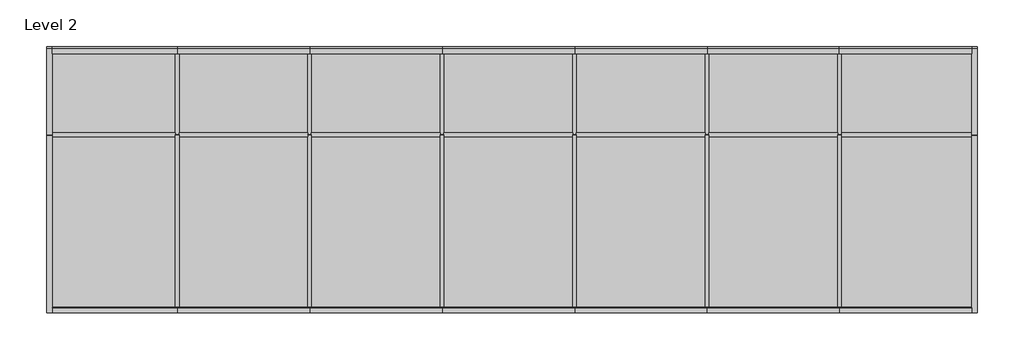
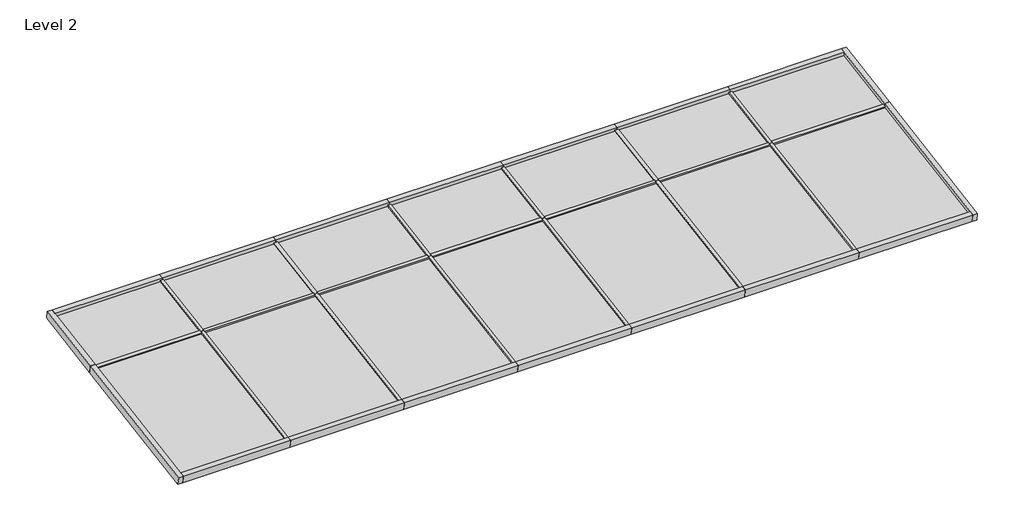
# One storey: 37 members, 14 plates.
"""IFC4 building model written with IfcOpenShell, lengths in millimetres."""

import ifcopenshell
import ifcopenshell.guid

model = None  # the IFC model being written
_history = None  # IfcOwnerHistory: only IFC2X3 demands one
_inside = {}  # id of a spatial element -> (the spatial element, [elements in it])
_under = {}  # id of a project, library or spatial element -> (it, [spatial elements below it])
_declared = {}  # id of a project -> (the project, [libraries it declares])
_typed = {}  # id of a type object -> (the type object, [elements of that type])
_made_of = {}  # id of a material, layer set ... -> (it, [elements and type objects made of it])


def new_model(schema):
    """Start an empty IFC model of exactly this schema.

    Asked for "IFC4X3", IfcOpenShell would pick the latest addendum, in which some entities
    have other attributes; the version numbers below select the first issue.
    IFC2X3 requires an IfcOwnerHistory on every rooted entity: one is made here for all.
    """
    global model, _history
    if schema == "IFC4X3":
        model = ifcopenshell.file(schema_version=(4, 3, 0, 0))
    else:
        model = ifcopenshell.file(schema=schema)
    _inside.clear()
    _under.clear()
    _declared.clear()
    _typed.clear()
    _made_of.clear()
    _history = None
    if model.schema == "IFC2X3":
        org = make("IfcOrganization", Name="unknown")
        user = make(
            "IfcPersonAndOrganization",
            ThePerson=make("IfcPerson", FamilyName="unknown"),
            TheOrganization=org,
        )
        app = make(
            "IfcApplication",
            ApplicationDeveloper=org,
            Version="unknown",
            ApplicationFullName="unknown",
            ApplicationIdentifier="unknown",
        )
        _history = make(
            "IfcOwnerHistory",
            OwningUser=user,
            OwningApplication=app,
            ChangeAction="ADDED",
            CreationDate=0,
        )
    return model


def make(cls, **values):
    """One entity of the class cls with the attributes given. An attribute that is None is left unset."""
    return model.create_entity(
        cls, **{name: value for name, value in values.items() if value is not None}
    )


def rooted(cls, **values):
    """An entity with a GlobalId (a new one), such as an element, a storey or a relation."""
    return make(cls, GlobalId=ifcopenshell.guid.new(), OwnerHistory=_history, **values)


def si_unit(unit_type, name, prefix=None):
    """IfcSIUnit, for example si_unit("LENGTHUNIT", "METRE", prefix="MILLI")."""
    return make("IfcSIUnit", UnitType=unit_type, Prefix=prefix, Name=name)


def assignment(units):
    """IfcUnitAssignment: the units of a project."""
    return None if units is None else make("IfcUnitAssignment", Units=units)


def point(xyz):
    """IfcCartesianPoint."""
    return None if xyz is None else make("IfcCartesianPoint", Coordinates=xyz)


def direction(xyz):
    """IfcDirection."""
    return None if xyz is None else make("IfcDirection", DirectionRatios=xyz)


def frame(location, z_axis=None, x_axis=None):
    """IfcAxis2Placement3D, a coordinate frame: its origin and axes. An axis left out is left unset."""
    return make(
        "IfcAxis2Placement3D",
        Location=point(location),
        Axis=direction(z_axis),
        RefDirection=direction(x_axis),
    )


def origin():
    """The frame at (0, 0, 0) with its axes left unset."""
    return frame((0.0, 0.0, 0.0))


def origin_with_axes():
    """The frame at (0, 0, 0) with the z axis (0, 0, 1) and the x axis (1, 0, 0) written out."""
    return frame((0.0, 0.0, 0.0), z_axis=(0.0, 0.0, 1.0), x_axis=(1.0, 0.0, 0.0))


def place(relative_to, where):
    """IfcLocalPlacement: puts the frame where relative to a parent placement (None: the world)."""
    return make(
        "IfcLocalPlacement", PlacementRelTo=relative_to, RelativePlacement=where
    )


def context(
    kind, dimensions, precision=None, world=None, true_north=None, identifier=None
):
    """IfcGeometricRepresentationContext, for example the 3D "Model" context."""
    return make(
        "IfcGeometricRepresentationContext",
        ContextIdentifier=identifier,
        ContextType=kind,
        CoordinateSpaceDimension=dimensions,
        Precision=precision,
        WorldCoordinateSystem=world,
        TrueNorth=true_north,
    )


def project(units=None, contexts=None):
    """IfcProject with its units and contexts."""
    return rooted(
        "IfcProject",
        Name="project",
        RepresentationContexts=contexts,
        UnitsInContext=assignment(units),
    )


def spatial(cls, under=None, at=None, **own):
    """A site, building, storey or space (cls), placed at a placement, below another one or the project."""
    s = rooted(cls, ObjectPlacement=at, **own)
    if under is not None:
        _under.setdefault(under.id(), (under, []))[1].append(s)
    return s


def polyline(points):
    """IfcPolyline through the points."""
    return make("IfcPolyline", Points=[point(p) for p in points])


def outline(outer, holes=None, kind="AREA"):
    """IfcArbitraryClosedProfileDef: a profile drawn as a closed curve; with holes, ...WithVoids."""
    if holes is None:
        return make("IfcArbitraryClosedProfileDef", ProfileType=kind, OuterCurve=outer)
    return make(
        "IfcArbitraryProfileDefWithVoids",
        ProfileType=kind,
        OuterCurve=outer,
        InnerCurves=holes,
    )


def extrude(swept, where, along, depth):
    """IfcExtrudedAreaSolid: the profile swept, set in the frame where, extruded along a direction by depth."""
    return make(
        "IfcExtrudedAreaSolid",
        SweptArea=swept,
        Position=where,
        ExtrudedDirection=direction(along),
        Depth=depth,
    )


def shape(context_of_items, identifier, shape_type, items):
    """IfcShapeRepresentation: the items that make up one representation, for example the "Body"."""
    return make(
        "IfcShapeRepresentation",
        ContextOfItems=context_of_items,
        RepresentationIdentifier=identifier,
        RepresentationType=shape_type,
        Items=items,
    )


def source(mapping_origin, context_of_items, identifier, shape_type, items):
    """IfcRepresentationMap: a shape defined once, which mapped items show again and again."""
    return make(
        "IfcRepresentationMap",
        MappingOrigin=mapping_origin,
        MappedRepresentation=shape(context_of_items, identifier, shape_type, items),
    )


def transform(
    local_origin,
    x_axis=None,
    y_axis=None,
    z_axis=None,
    scale=None,
    scale2=None,
    scale3=None,
    uniform=True,
):
    """IfcCartesianTransformationOperator3D, or its non-uniform kind. x_axis, y_axis, z_axis: its Axis1, 2, 3."""
    if uniform:
        return make(
            "IfcCartesianTransformationOperator3D",
            Axis1=direction(x_axis),
            Axis2=direction(y_axis),
            LocalOrigin=point(local_origin),
            Scale=scale,
            Axis3=direction(z_axis),
        )
    return make(
        "IfcCartesianTransformationOperator3DnonUniform",
        Axis1=direction(x_axis),
        Axis2=direction(y_axis),
        LocalOrigin=point(local_origin),
        Scale=scale,
        Axis3=direction(z_axis),
        Scale2=scale2,
        Scale3=scale3,
    )


def mapped(mapping_source, mapping_target):
    """IfcMappedItem: shows the shape of a source again, moved by a transform."""
    return make(
        "IfcMappedItem", MappingSource=mapping_source, MappingTarget=mapping_target
    )


def made_of(thing, what):
    """Note that an element or type object is made of a material, layer set ...; save() writes the relation."""
    if what is not None:
        _made_of.setdefault(what.id(), (what, []))[1].append(thing)
    return thing


def element(
    cls,
    number,
    at=None,
    inside=None,
    cuts=None,
    type_object=None,
    material=None,
    context=None,
    identifier="Body",
    shape_type=None,
    held_by="IfcProductDefinitionShape",
    body=None,
    shapes=None,
    **own,
):
    """One element of the class cls, such as IfcWall. Its Tag is "e" and its number.

    at: its placement. inside: the storey or other place that contains it. cuts: it is an
    opening in that element (IfcRelVoidsElement). A single representation is given by context,
    identifier, shape_type and body (its items); several are given by shapes. held_by: the class
    of the entity that holds the representations. save() writes the other relations.
    """
    e = rooted(cls, Tag="e%d" % number, ObjectPlacement=at, **own)
    if body is not None:
        shapes = [shape(context, identifier, shape_type, body)]
    if shapes is not None:
        e.Representation = make(held_by, Representations=shapes)
    if inside is not None:
        _inside.setdefault(inside.id(), (inside, []))[1].append(e)
    if cuts is not None:
        rooted(
            "IfcRelVoidsElement", RelatingBuildingElement=cuts, RelatedOpeningElement=e
        )
    if type_object is not None:
        _typed.setdefault(type_object.id(), (type_object, []))[1].append(e)
    return made_of(e, material)


def aggregate(whole, parts):
    """IfcRelAggregates: a whole, such as a stair, and the parts it consists of."""
    return rooted("IfcRelAggregates", RelatingObject=whole, RelatedObjects=parts)


def save(model, path):
    """Write the relations noted so far, then the file.

    IfcRelAggregates (storeys below a building ...), IfcRelContainedInSpatialStructure (elements
    in a storey), IfcRelDefinesByType, IfcRelAssociatesMaterial and IfcRelDeclares: one each for
    every whole, place, type object, material and project.
    """
    for whole, parts in _under.values():
        aggregate(whole, parts)
    for where, things in _inside.values():
        rooted(
            "IfcRelContainedInSpatialStructure",
            RelatedElements=things,
            RelatingStructure=where,
        )
    for kind, things in _typed.values():
        rooted("IfcRelDefinesByType", RelatedObjects=things, RelatingType=kind)
    for what, things in _made_of.values():
        rooted("IfcRelAssociatesMaterial", RelatedObjects=things, RelatingMaterial=what)
    for by, libraries in _declared.values():
        rooted("IfcRelDeclares", RelatingContext=by, RelatedDefinitions=libraries)
    model.write(path)


def member_21e35d61(model_context):
    return source(origin(), model_context, "Body", "SweptSolid", [
        extrude(outline(polyline([(12.7, 12.7), (12.7, -12.7), (-12.7, -12.7), (-12.7, 12.7), (12.7, 12.7)])), frame((0.0, 0.0, -889.0), z_axis=(0.0, 0.0, 1.0), x_axis=(1.0, 0.0, 0.0)), (0.0, 0.0, 1.0), 889.0),
    ])


def member_436d6e1e(model_context):
    return source(origin(), model_context, "Body", "SweptSolid", [
        extrude(outline(polyline([(12.7, 12.7), (12.7, -12.7), (-12.7, -12.7), (-12.7, 12.7), (12.7, 12.7)])), frame((0.0, 0.0, -571.3260192), z_axis=(0.0, 0.0, 1.0), x_axis=(1.0, 0.0, 0.0)), (0.0, 0.0, 1.0), 571.3260192),
    ])


def member_1534f09e(model_context):
    return source(origin(), model_context, "Body", "SweptSolid", [
        extrude(outline(polyline([(12.7, 12.7), (12.7, -12.7), (-12.7, -12.7), (-12.7, 12.7), (12.7, 12.7)])), frame((0.0, 0.0, -1206.5), z_axis=(0.0, 0.0, 1.0), x_axis=(1.0, 0.0, 0.0)), (0.0, 0.0, 1.0), 1206.5),
    ])


def member_179e4c6c(model_context):
    return source(origin(), model_context, "Body", "SweptSolid", [
        extrude(outline(polyline([(12.7, 12.7), (12.7, -12.7), (-12.7, -12.7), (-12.7, 12.7), (12.7, 12.7)])), frame((0.0, 0.0, -901.7000003), z_axis=(0.0, 0.0, 1.0), x_axis=(1.0, 0.0, 0.0)), (0.0, 0.0, 1.0), 901.7000003),
    ])


def member_3aaea4b3(model_context):
    return source(origin(), model_context, "Body", "SweptSolid", [
        extrude(outline(polyline([(12.7, 12.7), (12.7, -12.7), (-12.7, -12.7), (-12.7, 12.7), (12.7, 12.7)])), frame((0.0, 0.0, -850.9), z_axis=(0.0, 0.0, 1.0), x_axis=(1.0, 0.0, 0.0)), (0.0, 0.0, 1.0), 850.9),
    ])


def member_405fa836(model_context):
    return source(origin(), model_context, "Body", "SweptSolid", [
        extrude(outline(polyline([(0.0, 31.75), (0.0, -31.75), (-38.1, -31.75), (-38.1, 31.75), (0.0, 31.75)])), frame((0.0, 0.0, -609.4260192), z_axis=(0.0, 0.0, 1.0), x_axis=(1.0, 0.0, 0.0)), (0.0, 0.0, 1.0), 609.4260192),
    ])


def member_c5b617ba(model_context):
    return source(origin(), model_context, "Body", "SweptSolid", [
        extrude(outline(polyline([(0.0, 31.75), (0.0, -31.75), (-38.1, -31.75), (-38.1, 31.75), (0.0, 31.75)])), frame((0.0, 0.0, -914.4), z_axis=(0.0, 0.0, 1.0), x_axis=(1.0, 0.0, 0.0)), (0.0, 0.0, 1.0), 914.4),
    ])


def member_f2eabafd(model_context):
    return source(origin(), model_context, "Body", "SweptSolid", [
        extrude(outline(polyline([(0.0, 31.75), (0.0, -31.75), (-38.1, -31.75), (-38.1, 31.75), (0.0, 31.75)])), frame((0.0, 0.0, -1244.6), z_axis=(0.0, 0.0, 1.0), x_axis=(1.0, 0.0, 0.0)), (0.0, 0.0, 1.0), 1244.6),
    ])


def member_8ac5e14f(model_context):
    return source(origin(), model_context, "Body", "SweptSolid", [
        extrude(outline(polyline([(0.0, 31.75), (0.0, -31.75), (-38.1, -31.75), (-38.1, 31.75), (0.0, 31.75)])), frame((0.0, 0.0, -863.6), z_axis=(0.0, 0.0, 1.0), x_axis=(1.0, 0.0, 0.0)), (0.0, 0.0, 1.0), 863.6),
    ])


def member_1ac5ee0f(model_context):
    return source(origin(), model_context, "Body", "SweptSolid", [
        extrude(outline(polyline([(0.0, 31.75), (0.0, -31.75), (-38.1, -31.75), (-38.1, 31.75), (0.0, 31.75)])), frame((0.0, 0.0, -914.4000003), z_axis=(0.0, 0.0, 1.0), x_axis=(1.0, 0.0, 0.0)), (0.0, 0.0, 1.0), 914.4000003),
    ])


def system_panel_eb68b3b1(model_context):
    return source(origin(), model_context, "Body", "SweptSolid", [
        extrude(outline(polyline([(444.5000002, -12.7), (-444.5000002, -12.7), (-444.5000002, 0.0), (444.5000002, 0.0), (444.5000002, -12.7)])), origin_with_axes(), (0.0, 0.0, 1.0), 1193.8),
    ])


def system_panel_049ed178(model_context):
    return source(origin(), model_context, "Body", "SweptSolid", [
        extrude(outline(polyline([(444.5000002, -12.7), (-444.5000002, -12.7), (-444.5000002, 0.0), (444.5000002, 0.0), (444.5000002, -12.7)])), origin_with_axes(), (0.0, 0.0, 1.0), 558.6260192),
    ])


def system_panel_fe69569a(model_context):
    return source(origin(), model_context, "Body", "SweptSolid", [
        extrude(outline(polyline([(450.8500002, -12.7), (-450.8500002, -12.7), (-450.8500002, 0.0), (450.8500002, 0.0), (450.8500002, -12.7)])), origin_with_axes(), (0.0, 0.0, 1.0), 1193.8),
    ])


def system_panel_e24ecfca(model_context):
    return source(origin(), model_context, "Body", "SweptSolid", [
        extrude(outline(polyline([(450.8500002, -12.7), (-450.8500002, -12.7), (-450.8500002, 0.0), (450.8500002, 0.0), (450.8500002, -12.7)])), origin_with_axes(), (0.0, 0.0, 1.0), 558.6260192),
    ])


def system_panel_66fb875e(model_context):
    return source(origin(), model_context, "Body", "SweptSolid", [
        extrude(outline(polyline([(425.45, -12.7), (-425.45, -12.7), (-425.45, 0.0), (425.45, 0.0), (425.45, -12.7)])), origin_with_axes(), (0.0, 0.0, 1.0), 1193.8),
    ])


def system_panel_8dbdd120(model_context):
    return source(origin(), model_context, "Body", "SweptSolid", [
        extrude(outline(polyline([(425.45, -12.7), (-425.45, -12.7), (-425.45, 0.0), (425.45, 0.0), (425.45, -12.7)])), origin_with_axes(), (0.0, 0.0, 1.0), 558.6260192),
    ])


model = new_model("IFC4")

# Units and contexts
model_context = context("Model", 3, world=origin())
ifc_project = project(units=[si_unit("LENGTHUNIT", "METRE", prefix="MILLI")], contexts=[model_context])

# Site, building, storey
site = spatial("IfcSite", under=ifc_project)
building = spatial("IfcBuilding", under=site)
storey = spatial("IfcBuildingStorey", under=building, Name="Level 2", Elevation=3657.6)

# Members
placement = place(None, origin())
member_shape = member_21e35d61(model_context)
element("IfcMember", 1, ObjectType="Rectangular Mullion : 1\" Square", at=placement, inside=storey, context=model_context, shape_type="MappedRepresentation", body=[
    mapped(member_shape, transform((-8912.4751848, 30004.8171349, 2744.6109796), x_axis=(0.0, 0.9863939238321435, 0.16439898730535846), y_axis=(0.0, 0.16439898730535846, -0.9863939238321435), z_axis=(-1.0, 0.0, 0.0))),
])
element("IfcMember", 2, ObjectType="Rectangular Mullion : 1\" Square", at=placement, inside=storey, context=model_context, shape_type="MappedRepresentation", body=[
    mapped(member_shape, transform((-9826.8751848, 30004.8171349, 2744.6109796), x_axis=(0.0, 0.9863939238321435, 0.16439898730535846), y_axis=(0.0, 0.16439898730535846, -0.9863939238321435), z_axis=(-1.0, 0.0, 0.0))),
])
element("IfcMember", 3, ObjectType="Rectangular Mullion : 1\" Square", at=placement, inside=storey, context=model_context, shape_type="MappedRepresentation", body=[
    mapped(member_shape, transform((-10741.2751848, 30004.8171349, 2744.6109796), x_axis=(0.0, 0.9863939238321435, 0.16439898730535846), y_axis=(0.0, 0.16439898730535846, -0.9863939238321435), z_axis=(-1.0, 0.0, 0.0))),
])
element("IfcMember", 4, ObjectType="Rectangular Mullion : 1\" Square", at=placement, inside=storey, context=model_context, shape_type="MappedRepresentation", body=[
    mapped(member_shape, transform((-11655.6751848, 30004.8171349, 2744.6109796), x_axis=(0.0, 0.9863939238321435, 0.16439898730535846), y_axis=(0.0, 0.16439898730535846, -0.9863939238321435), z_axis=(-1.0, 0.0, 0.0))),
])
element("IfcMember", 5, ObjectType="Rectangular Mullion : 1\" Square", at=placement, inside=storey, context=model_context, shape_type="MappedRepresentation", body=[
    mapped(member_shape, transform((-12570.0751848, 30004.8171349, 2744.6109796), x_axis=(0.0, 0.9863939238321435, 0.16439898730535846), y_axis=(0.0, 0.16439898730535846, -0.9863939238321435), z_axis=(-1.0, 0.0, 0.0))),
])
member_2_shape = member_436d6e1e(model_context)
element("IfcMember", 6, ObjectType="Rectangular Mullion : 1\" Square", at=placement, inside=storey, context=model_context, shape_type="MappedRepresentation", body=[
    mapped(member_2_shape, transform((-8010.7751848, 30004.8171349, 2744.6109796), x_axis=(-1.0, 0.0, 0.0), y_axis=(0.0, 0.16439898730535815, -0.9863939238321436), z_axis=(0.0, -0.9863939238321436, -0.16439898730535815))),
])
element("IfcMember", 7, ObjectType="Rectangular Mullion : 1\" Square", at=placement, inside=storey, context=model_context, shape_type="MappedRepresentation", body=[
    mapped(member_2_shape, transform((-8925.1751848, 30004.8171349, 2744.6109796), x_axis=(-1.0, 0.0, 0.0), y_axis=(0.0, 0.16439898730535932, -0.9863939238321434), z_axis=(0.0, -0.9863939238321434, -0.16439898730535932))),
])
element("IfcMember", 8, ObjectType="Rectangular Mullion : 1\" Square", at=placement, inside=storey, context=model_context, shape_type="MappedRepresentation", body=[
    mapped(member_2_shape, transform((-9839.5751848, 30004.8171349, 2744.6109796), x_axis=(-1.0, 0.0, 0.0), y_axis=(0.0, 0.16439898730535815, -0.9863939238321436), z_axis=(0.0, -0.9863939238321436, -0.16439898730535815))),
])
element("IfcMember", 9, ObjectType="Rectangular Mullion : 1\" Square", at=placement, inside=storey, context=model_context, shape_type="MappedRepresentation", body=[
    mapped(member_2_shape, transform((-10753.9751848, 30004.8171349, 2744.6109796), x_axis=(-1.0, 0.0, 0.0), y_axis=(0.0, 0.16439898730535815, -0.9863939238321436), z_axis=(0.0, -0.9863939238321436, -0.16439898730535815))),
])
element("IfcMember", 10, ObjectType="Rectangular Mullion : 1\" Square", at=placement, inside=storey, context=model_context, shape_type="MappedRepresentation", body=[
    mapped(member_2_shape, transform((-11668.3751848, 30004.8171349, 2744.6109796), x_axis=(-1.0, 0.0, 0.0), y_axis=(0.0, 0.16439898730535843, -0.9863939238321435), z_axis=(0.0, -0.9863939238321435, -0.16439898730535843))),
])
element("IfcMember", 11, ObjectType="Rectangular Mullion : 1\" Square", at=placement, inside=storey, context=model_context, shape_type="MappedRepresentation", body=[
    mapped(member_2_shape, transform((-12582.7751848, 30004.8171349, 2744.6109796), x_axis=(-1.0, 0.0, 0.0), y_axis=(0.0, 0.16439898730535932, -0.9863939238321434), z_axis=(0.0, -0.9863939238321434, -0.16439898730535932))),
])
member_3_shape = member_1534f09e(model_context)
element("IfcMember", 12, ObjectType="Rectangular Mullion : 1\" Square", at=placement, inside=storey, context=model_context, shape_type="MappedRepresentation", body=[
    mapped(member_3_shape, transform((-8010.7751848, 28814.7328657, 2546.2636014), x_axis=(-1.0, 0.0, 0.0), y_axis=(0.0, 0.16439898730535857, -0.9863939238321435), z_axis=(0.0, -0.9863939238321434, -0.16439898730535854))),
])
element("IfcMember", 13, ObjectType="Rectangular Mullion : 1\" Square", at=placement, inside=storey, context=model_context, shape_type="MappedRepresentation", body=[
    mapped(member_3_shape, transform((-8925.1751848, 28814.7328657, 2546.2636014), x_axis=(-1.0, 0.0, 0.0), y_axis=(0.0, 0.16439898730535812, -0.9863939238321436), z_axis=(0.0, -0.9863939238321436, -0.16439898730535812))),
])
element("IfcMember", 14, ObjectType="Rectangular Mullion : 1\" Square", at=placement, inside=storey, context=model_context, shape_type="MappedRepresentation", body=[
    mapped(member_3_shape, transform((-9839.5751848, 28814.7328657, 2546.2636014), x_axis=(-1.0, 0.0, 0.0), y_axis=(0.0, 0.1643989873053587, -0.9863939238321435), z_axis=(0.0, -0.9863939238321435, -0.1643989873053587))),
])
element("IfcMember", 15, ObjectType="Rectangular Mullion : 1\" Square", at=placement, inside=storey, context=model_context, shape_type="MappedRepresentation", body=[
    mapped(member_3_shape, transform((-10753.9751848, 28814.7328657, 2546.2636014), x_axis=(-1.0, 0.0, 0.0), y_axis=(0.0, 0.16439898730535812, -0.9863939238321436), z_axis=(0.0, -0.9863939238321436, -0.16439898730535812))),
])
element("IfcMember", 16, ObjectType="Rectangular Mullion : 1\" Square", at=placement, inside=storey, context=model_context, shape_type="MappedRepresentation", body=[
    mapped(member_3_shape, transform((-11668.3751848, 28814.7328657, 2546.2636014), x_axis=(-1.0, 0.0, 0.0), y_axis=(0.0, 0.16439898730535857, -0.9863939238321435), z_axis=(0.0, -0.9863939238321434, -0.16439898730535854))),
])
element("IfcMember", 17, ObjectType="Rectangular Mullion : 1\" Square", at=placement, inside=storey, context=model_context, shape_type="MappedRepresentation", body=[
    mapped(member_3_shape, transform((-12582.7751848, 28814.7328657, 2546.2636014), x_axis=(-1.0, 0.0, 0.0), y_axis=(0.0, 0.16439898730535812, -0.9863939238321436), z_axis=(0.0, -0.9863939238321436, -0.16439898730535812))),
])
member_4_shape = member_179e4c6c(model_context)
element("IfcMember", 18, ObjectType="Rectangular Mullion : 1\" Square", at=placement, inside=storey, context=model_context, shape_type="MappedRepresentation", body=[
    mapped(member_4_shape, transform((-7998.0751848, 30004.8171349, 2744.6109796), x_axis=(0.0, 0.9863939238321435, 0.16439898730535846), y_axis=(0.0, 0.16439898730535846, -0.9863939238321435), z_axis=(-1.0, 0.0, 0.0))),
])
member_5_shape = member_3aaea4b3(model_context)
element("IfcMember", 19, ObjectType="Rectangular Mullion : 1\" Square", at=placement, inside=storey, context=model_context, shape_type="MappedRepresentation", body=[
    mapped(member_5_shape, transform((-13446.3751848, 30004.8171349, 2744.6109796), x_axis=(0.0, 0.9863939238321435, 0.16439898730535846), y_axis=(0.0, 0.16439898730535846, -0.9863939238321435), z_axis=(-1.0, 0.0, 0.0))),
])
member_6_shape = member_405fa836(model_context)
element("IfcMember", 20, ObjectType="Rectangular Mullion : 1.5\" x 2.5\" rectangular", at=placement, inside=storey, context=model_context, shape_type="MappedRepresentation", body=[
    mapped(member_6_shape, transform((-7058.2751845, 30605.9512572, 2844.8), x_axis=(1.0, 0.0, 0.0), y_axis=(0.0, 0.16439898730535815, -0.9863939238321436), z_axis=(0.0, 0.9863939238321436, 0.16439898730535815))),
])
member_7_shape = member_c5b617ba(model_context)
element("IfcMember", 21, ObjectType="Rectangular Mullion : 1.5\" x 2.5\" rectangular", at=placement, inside=storey, context=model_context, shape_type="MappedRepresentation", body=[
    mapped(member_7_shape, transform((-8010.7751848, 28777.1512572, 2540.0), x_axis=(0.0, -0.9863939238321435, -0.16439898730535846), y_axis=(0.0, 0.16439898730535846, -0.9863939238321435), z_axis=(1.0, 0.0, 0.0))),
])
element("IfcMember", 22, ObjectType="Rectangular Mullion : 1.5\" x 2.5\" rectangular", at=placement, inside=storey, context=model_context, shape_type="MappedRepresentation", body=[
    mapped(member_7_shape, transform((-8925.1751848, 28777.1512572, 2540.0), x_axis=(0.0, -0.9863939238321435, -0.16439898730535846), y_axis=(0.0, 0.16439898730535846, -0.9863939238321435), z_axis=(1.0, 0.0, 0.0))),
])
element("IfcMember", 23, ObjectType="Rectangular Mullion : 1.5\" x 2.5\" rectangular", at=placement, inside=storey, context=model_context, shape_type="MappedRepresentation", body=[
    mapped(member_7_shape, transform((-9839.5751848, 28777.1512572, 2540.0), x_axis=(0.0, -0.9863939238321435, -0.16439898730535846), y_axis=(0.0, 0.16439898730535846, -0.9863939238321435), z_axis=(1.0, 0.0, 0.0))),
])
element("IfcMember", 24, ObjectType="Rectangular Mullion : 1.5\" x 2.5\" rectangular", at=placement, inside=storey, context=model_context, shape_type="MappedRepresentation", body=[
    mapped(member_7_shape, transform((-10753.9751848, 28777.1512572, 2540.0), x_axis=(0.0, -0.9863939238321435, -0.16439898730535846), y_axis=(0.0, 0.16439898730535846, -0.9863939238321435), z_axis=(1.0, 0.0, 0.0))),
])
element("IfcMember", 25, ObjectType="Rectangular Mullion : 1.5\" x 2.5\" rectangular", at=placement, inside=storey, context=model_context, shape_type="MappedRepresentation", body=[
    mapped(member_7_shape, transform((-11668.3751848, 28777.1512572, 2540.0), x_axis=(0.0, -0.9863939238321435, -0.16439898730535846), y_axis=(0.0, 0.16439898730535846, -0.9863939238321435), z_axis=(1.0, 0.0, 0.0))),
])
element("IfcMember", 26, ObjectType="Rectangular Mullion : 1.5\" x 2.5\" rectangular", at=placement, inside=storey, context=model_context, shape_type="MappedRepresentation", body=[
    mapped(member_7_shape, transform((-8925.1751848, 30605.9512572, 2844.8), x_axis=(0.0, 0.9863939238321435, 0.16439898730535846), y_axis=(0.0, 0.16439898730535846, -0.9863939238321435), z_axis=(-1.0, 0.0, 0.0))),
])
element("IfcMember", 27, ObjectType="Rectangular Mullion : 1.5\" x 2.5\" rectangular", at=placement, inside=storey, context=model_context, shape_type="MappedRepresentation", body=[
    mapped(member_7_shape, transform((-9839.5751848, 30605.9512572, 2844.8), x_axis=(0.0, 0.9863939238321435, 0.16439898730535846), y_axis=(0.0, 0.16439898730535846, -0.9863939238321435), z_axis=(-1.0, 0.0, 0.0))),
])
element("IfcMember", 28, ObjectType="Rectangular Mullion : 1.5\" x 2.5\" rectangular", at=placement, inside=storey, context=model_context, shape_type="MappedRepresentation", body=[
    mapped(member_7_shape, transform((-10753.9751848, 30605.9512572, 2844.8), x_axis=(0.0, 0.9863939238321435, 0.16439898730535846), y_axis=(0.0, 0.16439898730535846, -0.9863939238321435), z_axis=(-1.0, 0.0, 0.0))),
])
element("IfcMember", 29, ObjectType="Rectangular Mullion : 1.5\" x 2.5\" rectangular", at=placement, inside=storey, context=model_context, shape_type="MappedRepresentation", body=[
    mapped(member_7_shape, transform((-11668.3751848, 30605.9512572, 2844.8), x_axis=(0.0, 0.9863939238321435, 0.16439898730535846), y_axis=(0.0, 0.16439898730535846, -0.9863939238321435), z_axis=(-1.0, 0.0, 0.0))),
])
element("IfcMember", 30, ObjectType="Rectangular Mullion : 1.5\" x 2.5\" rectangular", at=placement, inside=storey, context=model_context, shape_type="MappedRepresentation", body=[
    mapped(member_7_shape, transform((-12582.7751848, 30605.9512572, 2844.8), x_axis=(0.0, 0.9863939238321435, 0.16439898730535846), y_axis=(0.0, 0.16439898730535846, -0.9863939238321435), z_axis=(-1.0, 0.0, 0.0))),
])
member_8_shape = member_f2eabafd(model_context)
element("IfcMember", 31, ObjectType="Rectangular Mullion : 1.5\" x 2.5\" rectangular", at=placement, inside=storey, context=model_context, shape_type="MappedRepresentation", body=[
    mapped(member_8_shape, transform((-7058.2751845, 30004.8171349, 2744.6109796), x_axis=(1.0, 0.0, 0.0), y_axis=(0.0, 0.16439898730535857, -0.9863939238321435), z_axis=(0.0, 0.9863939238321434, 0.16439898730535854))),
])
element("IfcMember", 32, ObjectType="Rectangular Mullion : 1.5\" x 2.5\" rectangular", at=placement, inside=storey, context=model_context, shape_type="MappedRepresentation", body=[
    mapped(member_6_shape, transform((-13484.4751848, 30004.8171349, 2744.6109796), x_axis=(-1.0, 0.0, 0.0), y_axis=(0.0, 0.16439898730535785, -0.9863939238321436), z_axis=(0.0, -0.9863939238321436, -0.16439898730535785))),
])
element("IfcMember", 33, ObjectType="Rectangular Mullion : 1.5\" x 2.5\" rectangular", at=placement, inside=storey, context=model_context, shape_type="MappedRepresentation", body=[
    mapped(member_8_shape, transform((-13484.4751848, 28777.1512572, 2540.0), x_axis=(-1.0, 0.0, 0.0), y_axis=(0.0, 0.1643989873053587, -0.9863939238321435), z_axis=(0.0, -0.9863939238321435, -0.1643989873053587))),
])
member_9_shape = member_8ac5e14f(model_context)
element("IfcMember", 34, ObjectType="Rectangular Mullion : 1.5\" x 2.5\" rectangular", at=placement, inside=storey, context=model_context, shape_type="MappedRepresentation", body=[
    mapped(member_9_shape, transform((-13446.3751848, 30605.9512572, 2844.8), x_axis=(0.0, 0.9863939238321435, 0.16439898730535846), y_axis=(0.0, 0.16439898730535846, -0.9863939238321435), z_axis=(-1.0, 0.0, 0.0))),
])
member_10_shape = member_1ac5ee0f(model_context)
element("IfcMember", 35, ObjectType="Rectangular Mullion : 1.5\" x 2.5\" rectangular", at=placement, inside=storey, context=model_context, shape_type="MappedRepresentation", body=[
    mapped(member_10_shape, transform((-8010.7751848, 30605.9512572, 2844.8), x_axis=(0.0, 0.9863939238321435, 0.16439898730535846), y_axis=(0.0, 0.16439898730535846, -0.9863939238321435), z_axis=(-1.0, 0.0, 0.0))),
])
element("IfcMember", 36, ObjectType="Rectangular Mullion : 1.5\" x 2.5\" rectangular", at=placement, inside=storey, context=model_context, shape_type="MappedRepresentation", body=[
    mapped(member_9_shape, transform((-12582.7751848, 28777.1512572, 2540.0), x_axis=(0.0, -0.9863939238321435, -0.16439898730535846), y_axis=(0.0, 0.16439898730535846, -0.9863939238321435), z_axis=(1.0, 0.0, 0.0))),
])
element("IfcMember", 37, ObjectType="Rectangular Mullion : 1.5\" x 2.5\" rectangular", at=placement, inside=storey, context=model_context, shape_type="MappedRepresentation", body=[
    mapped(member_10_shape, transform((-7096.3751845, 28777.1512572, 2540.0), x_axis=(0.0, -0.9863939238321435, -0.16439898730535846), y_axis=(0.0, 0.16439898730535846, -0.9863939238321435), z_axis=(1.0, 0.0, 0.0))),
])

# Plates
system_panel_shape = system_panel_eb68b3b1(model_context)
element("IfcPlate", 38, ObjectType="System Panel", at=placement, inside=storey, context=model_context, shape_type="MappedRepresentation", body=[
    mapped(system_panel_shape, transform((-8467.9751848, 28814.7328657, 2546.2636014), x_axis=(-1.0, 0.0, 0.0), y_axis=(0.0, -0.16439898730535846, 0.9863939238321435), z_axis=(0.0, 0.9863939238321435, 0.16439898730535846))),
])
element("IfcPlate", 39, ObjectType="System Panel", at=placement, inside=storey, context=model_context, shape_type="MappedRepresentation", body=[
    mapped(system_panel_shape, transform((-9382.3751848, 28814.7328657, 2546.2636014), x_axis=(-1.0, 0.0, 0.0), y_axis=(0.0, -0.16439898730535846, 0.9863939238321435), z_axis=(0.0, 0.9863939238321435, 0.16439898730535846))),
])
element("IfcPlate", 40, ObjectType="System Panel", at=placement, inside=storey, context=model_context, shape_type="MappedRepresentation", body=[
    mapped(system_panel_shape, transform((-10296.7751848, 28814.7328657, 2546.2636014), x_axis=(-1.0, 0.0, 0.0), y_axis=(0.0, -0.16439898730535846, 0.9863939238321435), z_axis=(0.0, 0.9863939238321435, 0.16439898730535846))),
])
element("IfcPlate", 41, ObjectType="System Panel", at=placement, inside=storey, context=model_context, shape_type="MappedRepresentation", body=[
    mapped(system_panel_shape, transform((-11211.1751848, 28814.7328657, 2546.2636014), x_axis=(-1.0, 0.0, 0.0), y_axis=(0.0, -0.16439898730535846, 0.9863939238321435), z_axis=(0.0, 0.9863939238321435, 0.16439898730535846))),
])
element("IfcPlate", 42, ObjectType="System Panel", at=placement, inside=storey, context=model_context, shape_type="MappedRepresentation", body=[
    mapped(system_panel_shape, transform((-12125.5751848, 28814.7328657, 2546.2636014), x_axis=(-1.0, 0.0, 0.0), y_axis=(0.0, -0.16439898730535846, 0.9863939238321435), z_axis=(0.0, 0.9863939238321435, 0.16439898730535846))),
])
system_panel_2_shape = system_panel_049ed178(model_context)
element("IfcPlate", 43, ObjectType="System Panel", at=placement, inside=storey, context=model_context, shape_type="MappedRepresentation", body=[
    mapped(system_panel_2_shape, transform((-8467.9751848, 30017.3443377, 2746.6988467), x_axis=(-1.0, 0.0, 0.0), y_axis=(0.0, -0.16439898730535846, 0.9863939238321435), z_axis=(0.0, 0.9863939238321435, 0.16439898730535846))),
])
element("IfcPlate", 44, ObjectType="System Panel", at=placement, inside=storey, context=model_context, shape_type="MappedRepresentation", body=[
    mapped(system_panel_2_shape, transform((-9382.3751848, 30017.3443377, 2746.6988467), x_axis=(-1.0, 0.0, 0.0), y_axis=(0.0, -0.16439898730535846, 0.9863939238321435), z_axis=(0.0, 0.9863939238321435, 0.16439898730535846))),
])
element("IfcPlate", 45, ObjectType="System Panel", at=placement, inside=storey, context=model_context, shape_type="MappedRepresentation", body=[
    mapped(system_panel_2_shape, transform((-10296.7751848, 30017.3443377, 2746.6988467), x_axis=(-1.0, 0.0, 0.0), y_axis=(0.0, -0.16439898730535846, 0.9863939238321435), z_axis=(0.0, 0.9863939238321435, 0.16439898730535846))),
])
element("IfcPlate", 46, ObjectType="System Panel", at=placement, inside=storey, context=model_context, shape_type="MappedRepresentation", body=[
    mapped(system_panel_2_shape, transform((-11211.1751848, 30017.3443377, 2746.6988467), x_axis=(-1.0, 0.0, 0.0), y_axis=(0.0, -0.16439898730535846, 0.9863939238321435), z_axis=(0.0, 0.9863939238321435, 0.16439898730535846))),
])
element("IfcPlate", 47, ObjectType="System Panel", at=placement, inside=storey, context=model_context, shape_type="MappedRepresentation", body=[
    mapped(system_panel_2_shape, transform((-12125.5751848, 30017.3443377, 2746.6988467), x_axis=(-1.0, 0.0, 0.0), y_axis=(0.0, -0.16439898730535846, 0.9863939238321435), z_axis=(0.0, 0.9863939238321435, 0.16439898730535846))),
])
system_panel_3_shape = system_panel_fe69569a(model_context)
element("IfcPlate", 48, ObjectType="System Panel", at=placement, inside=storey, context=model_context, shape_type="MappedRepresentation", body=[
    mapped(system_panel_3_shape, transform((-7547.2251846, 28814.7328657, 2546.2636014), x_axis=(-1.0, 0.0, 0.0), y_axis=(0.0, -0.16439898730535846, 0.9863939238321435), z_axis=(0.0, 0.9863939238321435, 0.16439898730535846))),
])
system_panel_4_shape = system_panel_e24ecfca(model_context)
element("IfcPlate", 49, ObjectType="System Panel", at=placement, inside=storey, context=model_context, shape_type="MappedRepresentation", body=[
    mapped(system_panel_4_shape, transform((-7547.2251846, 30017.3443377, 2746.6988467), x_axis=(-1.0, 0.0, 0.0), y_axis=(0.0, -0.16439898730535846, 0.9863939238321435), z_axis=(0.0, 0.9863939238321435, 0.16439898730535846))),
])
system_panel_5_shape = system_panel_66fb875e(model_context)
element("IfcPlate", 50, ObjectType="System Panel", at=placement, inside=storey, context=model_context, shape_type="MappedRepresentation", body=[
    mapped(system_panel_5_shape, transform((-13020.9251848, 28814.7328657, 2546.2636014), x_axis=(-1.0, 0.0, 0.0), y_axis=(0.0, -0.16439898730535846, 0.9863939238321435), z_axis=(0.0, 0.9863939238321435, 0.16439898730535846))),
])
system_panel_6_shape = system_panel_8dbdd120(model_context)
element("IfcPlate", 51, ObjectType="System Panel", at=placement, inside=storey, context=model_context, shape_type="MappedRepresentation", body=[
    mapped(system_panel_6_shape, transform((-13020.9251848, 30017.3443377, 2746.6988467), x_axis=(-1.0, 0.0, 0.0), y_axis=(0.0, -0.16439898730535846, 0.9863939238321435), z_axis=(0.0, 0.9863939238321435, 0.16439898730535846))),
])

save(model, "model.ifc")
